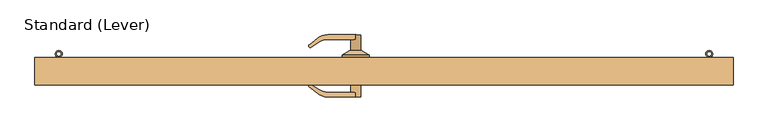
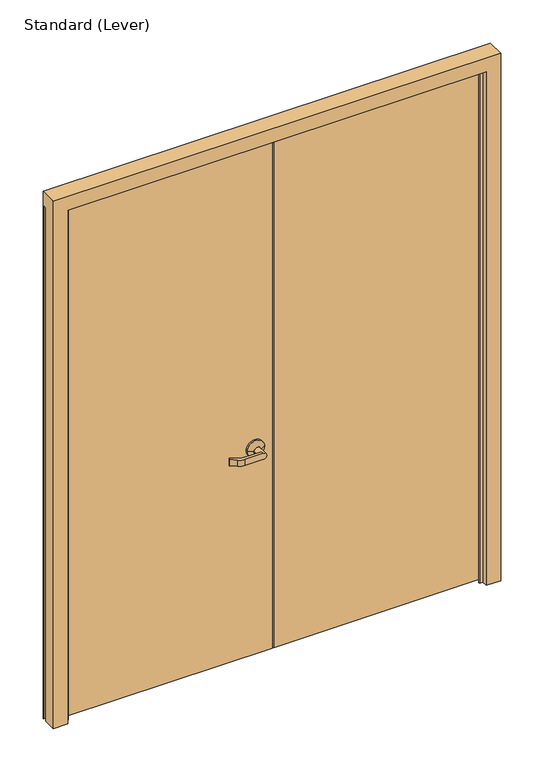
"""IFC4 building model written with IfcOpenShell, lengths in millimetres: door geometry, Standard (Lever)."""

from ifc_helpers import new_model, si_unit, point, frame, frame_2d, origin, place, context, project, spatial, polyline, circle_curve, trimmed, segment, composite_curve, outline, extrude, faceted_brep, source, transform, mapped, element, save
from ifc_brep_helpers import plane_surface, cylinder_surface, revolved_surface, advanced_brep


def standard_lever_2ee2547f(model_context):
    return source(origin(), model_context, "Body", "SolidModel", [
        extrude(outline(composite_curve([segment(polyline([(-909.6375, -7.14375), (-912.01875, -7.14375), (-912.01875, 35.1565274)]), True, "CONTINUOUS"), segment(trimmed(circle_curve(frame_2d((-904.2351957, 35.1565274)), 7.7835543), [point((-912.01875, 35.1565274))], [point((-907.6729512, 42.1397612))], False, "CARTESIAN"), True, "CONTINUOUS"), segment(trimmed(circle_curve(frame_2d((-910.828125, 48.5489767)), 7.14375), [point((-907.6729512, 42.1397612))], [point((-911.2096421, 41.4154215))], True, "CARTESIAN"), True, "CONTINUOUS"), segment(trimmed(circle_curve(frame_2d((-904.2351957, 35.1565274)), 9.3710543), [point((-911.2096421, 41.4154215))], [point((-912.6857214, 39.2068698))], True, "CARTESIAN"), True, "CONTINUOUS"), segment(trimmed(circle_curve(frame_2d((-910.828125, 48.5489767)), 9.525), [point((-912.6857214, 39.2068698))], [point((-906.6212267, 40.0033561))], False, "CARTESIAN"), True, "CONTINUOUS"), segment(trimmed(circle_curve(frame_2d((-904.2351957, 35.1565274)), 5.4023043), [point((-906.6212267, 40.0033561))], [point((-909.6375, 35.1565274))], True, "CARTESIAN"), True, "CONTINUOUS"), segment(polyline([(-909.6375, 35.1565274), (-909.6375, -7.14375)]), True, "CONTINUOUS")], self_intersect=False)), frame((0.0, 0.0, 1402.2916667), z_axis=(0.0, 0.0, 1.0), x_axis=(1.0, 0.0, 0.0)), (0.0, 0.0, 1.0), 139.7),
        extrude(outline(composite_curve([segment(polyline([(-909.6375, -7.14375), (-912.01875, -7.14375), (-912.01875, 35.1565274)]), True, "CONTINUOUS"), segment(trimmed(circle_curve(frame_2d((-904.2351957, 35.1565274)), 7.7835543), [point((-912.01875, 35.1565274))], [point((-907.6729512, 42.1397612))], False, "CARTESIAN"), True, "CONTINUOUS"), segment(trimmed(circle_curve(frame_2d((-910.828125, 48.5489767)), 7.14375), [point((-907.6729512, 42.1397612))], [point((-911.2096421, 41.4154215))], True, "CARTESIAN"), True, "CONTINUOUS"), segment(trimmed(circle_curve(frame_2d((-904.2351957, 35.1565274)), 9.3710543), [point((-911.2096421, 41.4154215))], [point((-912.6857214, 39.2068698))], True, "CARTESIAN"), True, "CONTINUOUS"), segment(trimmed(circle_curve(frame_2d((-910.828125, 48.5489767)), 9.525), [point((-912.6857214, 39.2068698))], [point((-906.6212267, 40.0033561))], False, "CARTESIAN"), True, "CONTINUOUS"), segment(trimmed(circle_curve(frame_2d((-904.2351957, 35.1565274)), 5.4023043), [point((-906.6212267, 40.0033561))], [point((-909.6375, 35.1565274))], True, "CARTESIAN"), True, "CONTINUOUS"), segment(polyline([(-909.6375, 35.1565274), (-909.6375, -7.14375)]), True, "CONTINUOUS")], self_intersect=False)), frame((0.0, 0.0, 828.1458333), z_axis=(0.0, 0.0, 1.0), x_axis=(1.0, 0.0, 0.0)), (0.0, 0.0, 1.0), 139.7),
        extrude(outline(composite_curve([segment(polyline([(-909.6375, -7.14375), (-912.01875, -7.14375), (-912.01875, 35.1565274)]), True, "CONTINUOUS"), segment(trimmed(circle_curve(frame_2d((-904.2351957, 35.1565274)), 7.7835543), [point((-912.01875, 35.1565274))], [point((-907.6729512, 42.1397612))], False, "CARTESIAN"), True, "CONTINUOUS"), segment(trimmed(circle_curve(frame_2d((-910.828125, 48.5489767)), 7.14375), [point((-907.6729512, 42.1397612))], [point((-911.2096421, 41.4154215))], True, "CARTESIAN"), True, "CONTINUOUS"), segment(trimmed(circle_curve(frame_2d((-904.2351957, 35.1565274)), 9.3710543), [point((-911.2096421, 41.4154215))], [point((-912.6857214, 39.2068698))], True, "CARTESIAN"), True, "CONTINUOUS"), segment(trimmed(circle_curve(frame_2d((-910.828125, 48.5489767)), 9.525), [point((-912.6857214, 39.2068698))], [point((-906.6212267, 40.0033561))], False, "CARTESIAN"), True, "CONTINUOUS"), segment(trimmed(circle_curve(frame_2d((-904.2351957, 35.1565274)), 5.4023043), [point((-906.6212267, 40.0033561))], [point((-909.6375, 35.1565274))], True, "CARTESIAN"), True, "CONTINUOUS"), segment(polyline([(-909.6375, 35.1565274), (-909.6375, -7.14375)]), True, "CONTINUOUS")], self_intersect=False)), frame((0.0, 0.0, 1976.4375), z_axis=(0.0, 0.0, 1.0), x_axis=(1.0, 0.0, 0.0)), (0.0, 0.0, 1.0), 139.7),
        extrude(outline(composite_curve([segment(polyline([(909.6375, -7.14375), (909.6375, 35.1565274)]), True, "CONTINUOUS"), segment(trimmed(circle_curve(frame_2d((904.2351957, 35.1565274)), 5.4023043), [point((909.6375, 35.1565274))], [point((906.6212267, 40.0033561))], True, "CARTESIAN"), True, "CONTINUOUS"), segment(trimmed(circle_curve(frame_2d((910.828125, 48.5489767)), 9.525), [point((906.6212267, 40.0033561))], [point((912.6857214, 39.2068698))], False, "CARTESIAN"), True, "CONTINUOUS"), segment(trimmed(circle_curve(frame_2d((904.2351957, 35.1565274)), 9.3710543), [point((912.6857214, 39.2068698))], [point((911.2096421, 41.4154215))], True, "CARTESIAN"), True, "CONTINUOUS"), segment(trimmed(circle_curve(frame_2d((910.828125, 48.5489767)), 7.14375), [point((911.2096421, 41.4154215))], [point((907.6729512, 42.1397612))], True, "CARTESIAN"), True, "CONTINUOUS"), segment(trimmed(circle_curve(frame_2d((904.2351957, 35.1565274)), 7.7835543), [point((907.6729512, 42.1397612))], [point((912.01875, 35.1565274))], False, "CARTESIAN"), True, "CONTINUOUS"), segment(polyline([(912.01875, 35.1565274), (912.01875, -7.14375), (909.6375, -7.14375)]), True, "CONTINUOUS")], self_intersect=False)), frame((0.0, 0.0, 1402.2916667), z_axis=(0.0, 0.0, 1.0), x_axis=(1.0, 0.0, 0.0)), (0.0, 0.0, 1.0), 139.7),
        extrude(outline(composite_curve([segment(polyline([(909.6375, -7.14375), (909.6375, 35.1565274)]), True, "CONTINUOUS"), segment(trimmed(circle_curve(frame_2d((904.2351957, 35.1565274)), 5.4023043), [point((909.6375, 35.1565274))], [point((906.6212267, 40.0033561))], True, "CARTESIAN"), True, "CONTINUOUS"), segment(trimmed(circle_curve(frame_2d((910.828125, 48.5489767)), 9.525), [point((906.6212267, 40.0033561))], [point((912.6857214, 39.2068698))], False, "CARTESIAN"), True, "CONTINUOUS"), segment(trimmed(circle_curve(frame_2d((904.2351957, 35.1565274)), 9.3710543), [point((912.6857214, 39.2068698))], [point((911.2096421, 41.4154215))], True, "CARTESIAN"), True, "CONTINUOUS"), segment(trimmed(circle_curve(frame_2d((910.828125, 48.5489767)), 7.14375), [point((911.2096421, 41.4154215))], [point((907.6729512, 42.1397612))], True, "CARTESIAN"), True, "CONTINUOUS"), segment(trimmed(circle_curve(frame_2d((904.2351957, 35.1565274)), 7.7835543), [point((907.6729512, 42.1397612))], [point((912.01875, 35.1565274))], False, "CARTESIAN"), True, "CONTINUOUS"), segment(polyline([(912.01875, 35.1565274), (912.01875, -7.14375), (909.6375, -7.14375)]), True, "CONTINUOUS")], self_intersect=False)), frame((0.0, 0.0, 828.1458333), z_axis=(0.0, 0.0, 1.0), x_axis=(1.0, 0.0, 0.0)), (0.0, 0.0, 1.0), 139.7),
        extrude(outline(composite_curve([segment(polyline([(909.6375, -7.14375), (909.6375, 35.1565274)]), True, "CONTINUOUS"), segment(trimmed(circle_curve(frame_2d((904.2351957, 35.1565274)), 5.4023043), [point((909.6375, 35.1565274))], [point((906.6212267, 40.0033561))], True, "CARTESIAN"), True, "CONTINUOUS"), segment(trimmed(circle_curve(frame_2d((910.828125, 48.5489767)), 9.525), [point((906.6212267, 40.0033561))], [point((912.6857214, 39.2068698))], False, "CARTESIAN"), True, "CONTINUOUS"), segment(trimmed(circle_curve(frame_2d((904.2351957, 35.1565274)), 9.3710543), [point((912.6857214, 39.2068698))], [point((911.2096421, 41.4154215))], True, "CARTESIAN"), True, "CONTINUOUS"), segment(trimmed(circle_curve(frame_2d((910.828125, 48.5489767)), 7.14375), [point((911.2096421, 41.4154215))], [point((907.6729512, 42.1397612))], True, "CARTESIAN"), True, "CONTINUOUS"), segment(trimmed(circle_curve(frame_2d((904.2351957, 35.1565274)), 7.7835543), [point((907.6729512, 42.1397612))], [point((912.01875, 35.1565274))], False, "CARTESIAN"), True, "CONTINUOUS"), segment(polyline([(912.01875, 35.1565274), (912.01875, -7.14375), (909.6375, -7.14375)]), True, "CONTINUOUS")], self_intersect=False)), frame((0.0, 0.0, 1976.4375), z_axis=(0.0, 0.0, 1.0), x_axis=(1.0, 0.0, 0.0)), (0.0, 0.0, 1.0), 139.7),
        extrude(outline(composite_curve([segment(polyline([(909.6375, -7.14375), (909.6375, 35.1565274)]), True, "CONTINUOUS"), segment(trimmed(circle_curve(frame_2d((904.2351957, 35.1565274)), 5.4023043), [point((909.6375, 35.1565274))], [point((906.6212267, 40.0033561))], True, "CARTESIAN"), True, "CONTINUOUS"), segment(trimmed(circle_curve(frame_2d((910.828125, 48.5489767)), 9.525), [point((906.6212267, 40.0033561))], [point((912.6857214, 39.2068698))], False, "CARTESIAN"), True, "CONTINUOUS"), segment(trimmed(circle_curve(frame_2d((904.2351957, 35.1565274)), 9.3710543), [point((912.6857214, 39.2068698))], [point((911.2096421, 41.4154215))], True, "CARTESIAN"), True, "CONTINUOUS"), segment(trimmed(circle_curve(frame_2d((910.828125, 48.5489767)), 7.14375), [point((911.2096421, 41.4154215))], [point((907.6729512, 42.1397612))], True, "CARTESIAN"), True, "CONTINUOUS"), segment(trimmed(circle_curve(frame_2d((904.2351957, 35.1565274)), 7.7835543), [point((907.6729512, 42.1397612))], [point((912.01875, 35.1565274))], False, "CARTESIAN"), True, "CONTINUOUS"), segment(polyline([(912.01875, 35.1565274), (912.01875, -7.14375), (909.6375, -7.14375)]), True, "CONTINUOUS")], self_intersect=False)), frame((0.0, 0.0, 254.0), z_axis=(0.0, 0.0, 1.0), x_axis=(1.0, 0.0, 0.0)), (0.0, 0.0, 1.0), 139.7),
        extrude(outline(composite_curve([segment(polyline([(-909.6375, -7.14375), (-912.01875, -7.14375), (-912.01875, 35.1565274)]), True, "CONTINUOUS"), segment(trimmed(circle_curve(frame_2d((-904.2351957, 35.1565274)), 7.7835543), [point((-912.01875, 35.1565274))], [point((-907.6729512, 42.1397612))], False, "CARTESIAN"), True, "CONTINUOUS"), segment(trimmed(circle_curve(frame_2d((-910.828125, 48.5489767)), 7.14375), [point((-907.6729512, 42.1397612))], [point((-911.2096421, 41.4154215))], True, "CARTESIAN"), True, "CONTINUOUS"), segment(trimmed(circle_curve(frame_2d((-904.2351957, 35.1565274)), 9.3710543), [point((-911.2096421, 41.4154215))], [point((-912.6857214, 39.2068698))], True, "CARTESIAN"), True, "CONTINUOUS"), segment(trimmed(circle_curve(frame_2d((-910.828125, 48.5489767)), 9.525), [point((-912.6857214, 39.2068698))], [point((-906.6212267, 40.0033561))], False, "CARTESIAN"), True, "CONTINUOUS"), segment(trimmed(circle_curve(frame_2d((-904.2351957, 35.1565274)), 5.4023043), [point((-906.6212267, 40.0033561))], [point((-909.6375, 35.1565274))], True, "CARTESIAN"), True, "CONTINUOUS"), segment(polyline([(-909.6375, 35.1565274), (-909.6375, -7.14375)]), True, "CONTINUOUS")], self_intersect=False)), frame((0.0, 0.0, 254.0), z_axis=(0.0, 0.0, 1.0), x_axis=(1.0, 0.0, 0.0)), (0.0, 0.0, 1.0), 139.7),
        advanced_brep(
        [(-41.275, 37.30625, 965.2), (-117.475, 37.30625, 965.2), (-117.475, 45.24375, 965.2), (-41.275, 45.24375, 965.2), (-65.0875, 102.39375, 965.2), (-79.375, 102.39375, 950.9125), (-158.1249604, 102.39375, 950.9125), (-158.1249604, 102.39375, 979.4875), (-79.375, 102.39375, 979.4875), (-65.0875, 57.94375, 965.2), (-93.6625, 57.94375, 965.2), (-93.6625, 89.69375, 965.2), (-79.375, 89.69375, 950.9125), (-79.375, 89.69375, 979.4875), (-63.5, 57.94375, 965.2), (-95.25, 57.94375, 965.2), (-154.782228, 89.69375, 979.4875), (-185.7177761, 92.7925523, 979.4875), (-210.0371866, 73.5367682, 979.4875), (-210.2832882, 69.2868463, 979.4875), (-208.2664383, 67.2699964, 979.4875), (-204.9036767, 66.9165559, 979.4875), (-182.449891, 81.4982149, 979.4875), (-154.782228, 89.69375, 950.9125), (-182.449891, 81.4982149, 950.9125), (-204.9036767, 66.9165559, 950.9125), (-208.2664383, 67.2699964, 950.9125), (-210.2832882, 69.2868463, 950.9125), (-210.0371866, 73.5367682, 950.9125), (-185.7177761, 92.7925523, 950.9125)],
        [
            (0, 1, circle_curve(frame((-79.375, 37.30625, 965.2), z_axis=(0.0, -1.0, 0.0), x_axis=(-1.0, 0.0, 0.0)), 38.1)),
            (1, 0, circle_curve(frame((-79.375, 37.30625, 965.2), z_axis=(0.0, -1.0, 0.0), x_axis=(-1.0, 0.0, 0.0)), 38.1)),
            (1, 2),
            (2, 3, circle_curve(frame((-79.375, 45.24375, 965.2), z_axis=(0.0, -1.0, 0.0), x_axis=(-1.0, 0.0, 0.0)), 38.1)),
            (3, 0),
            (3, 2, circle_curve(frame((-79.375, 45.24375, 965.2), z_axis=(0.0, -1.0, 0.0), x_axis=(-1.0, 0.0, 0.0)), 38.1)),
            (4, 5, circle_curve(frame((-79.375, 102.39375, 965.2), z_axis=(0.0, 1.0, 0.0), x_axis=(-1.0, 0.0, 0.0)), 14.2875)),
            (5, 6),
            (6, 7),
            (7, 8),
            (8, 4, circle_curve(frame((-79.375, 102.39375, 965.2), z_axis=(0.0, 1.0, 0.0), x_axis=(-1.0, 0.0, 0.0)), 14.2875)),
            (4, 9),
            (9, 10, circle_curve(frame((-79.375, 57.94375, 965.2), z_axis=(0.0, 1.0, 0.0), x_axis=(-1.0, 0.0, 0.0)), 14.2875)),
            (10, 11),
            (11, 12, circle_curve(frame((-79.375, 89.69375, 965.2), z_axis=(0.0, -1.0, 0.0), x_axis=(-1.0, 0.0, 0.0)), 14.2875)),
            (12, 5),
            (8, 13),
            (13, 11, circle_curve(frame((-79.375, 89.69375, 965.2), z_axis=(0.0, -1.0, 0.0), x_axis=(-1.0, 0.0, 0.0)), 14.2875)),
            (10, 9, circle_curve(frame((-79.375, 57.94375, 965.2), z_axis=(0.0, 1.0, 0.0), x_axis=(-1.0, 0.0, 0.0)), 14.2875)),
            (14, 15, circle_curve(frame((-79.375, 57.94375, 965.2), z_axis=(0.0, 1.0, 0.0), x_axis=(1.0, 0.0, 0.0)), 15.875)),
            (15, 14, circle_curve(frame((-79.375, 57.94375, 965.2), z_axis=(0.0, 1.0, 0.0), x_axis=(-1.0, 0.0, 0.0)), 15.875)),
            (14, 3),
            (2, 15),
            (16, 13),
            (7, 17, circle_curve(frame((-158.1249604, 57.94375, 979.4875), z_axis=(0.0, 0.0, 1.0), x_axis=(-1.0, 0.0, 0.0)), 44.45)),
            (17, 18),
            (18, 19, circle_curve(frame((-208.2679071, 71.3022275, 979.4875), z_axis=(0.0, 0.0, 1.0), x_axis=(-1.0, 0.0, 0.0)), 2.8501794)),
            (19, 20),
            (20, 21, circle_curve(frame((-206.3668262, 69.1696085, 979.4875), z_axis=(0.0, 0.0, 1.0), x_axis=(-1.0, 0.0, 0.0)), 2.6864572)),
            (21, 22),
            (22, 16, circle_curve(frame((-154.782228, 38.89375, 979.4875), z_axis=(0.0, 0.0, -1.0), x_axis=(-1.0, 0.0, 0.0)), 50.8)),
            (23, 24, circle_curve(frame((-154.782228, 38.89375, 950.9125), z_axis=(0.0, 0.0, 1.0), x_axis=(-1.0, 0.0, 0.0)), 50.8)),
            (24, 25),
            (25, 26, circle_curve(frame((-206.3668262, 69.1696085, 950.9125), z_axis=(0.0, 0.0, -1.0), x_axis=(-1.0, 0.0, 0.0)), 2.6864572)),
            (26, 27),
            (27, 28, circle_curve(frame((-208.2679071, 71.3022275, 950.9125), z_axis=(0.0, 0.0, -1.0), x_axis=(-1.0, 0.0, 0.0)), 2.8501794)),
            (28, 29),
            (29, 6, circle_curve(frame((-158.1249604, 57.94375, 950.9125), z_axis=(0.0, 0.0, -1.0), x_axis=(-1.0, 0.0, 0.0)), 44.45)),
            (12, 23),
            (16, 23),
            (29, 17),
            (28, 18),
            (27, 19),
            (26, 20),
            (25, 21),
            (24, 22),
        ],
        [
            plane_surface(frame((-117.475, 37.30625, 965.2), z_axis=(0.0, -1.0, 0.0), x_axis=(0.0, 0.0, -1.0))),
            cylinder_surface(frame((-79.375, 37.30625, 965.2), z_axis=(0.0, 1.0, 0.0), x_axis=(-1.0, 0.0, 0.0)), 38.1),
            plane_surface(frame((-93.6625, 102.39375, 965.2), z_axis=(0.0, 1.0, 0.0), x_axis=(0.0, 0.0, 1.0))),
            cylinder_surface(frame((-79.375, 45.24375, 965.2), z_axis=(0.0, 1.0, 0.0), x_axis=(-1.0, 0.0, 0.0)), 14.2875),
            plane_surface(frame((-79.375, 57.94375, 965.2), z_axis=(0.0, 1.0, 0.0), x_axis=(0.0, 0.0, -1.0))),
            revolved_surface(polyline([(-63.499999970833336, 57.94375, 965.2), (-41.275, 45.24375, 965.2)]), (-79.375, 67.0151786, 965.2), (0.0, -1.0, 0.0)),
            revolved_surface(polyline([(-95.25000002916666, 57.94375, 965.2), (-117.475, 45.24375, 965.2)]), (-79.375, 67.0151786, 965.2), (0.0, -1.0, 0.0)),
            plane_surface(frame((-79.375, 89.69375, 979.4875), z_axis=(0.0, 0.0, 1.0), x_axis=(1.0, 0.0, 0.0))),
            plane_surface(frame((-79.375, 89.69375, 950.9125), z_axis=(0.0, 0.0, -1.0), x_axis=(-1.0, 0.0, 0.0))),
            plane_surface(frame((-154.782228, 89.69375, 979.4875), z_axis=(0.0, -1.0, 0.0), x_axis=(0.0, 0.0, -1.0))),
            cylinder_surface(frame((-158.1249604, 57.94375, 950.9125), z_axis=(0.0, 0.0, 1.0), x_axis=(-1.0, 0.0, 0.0)), 44.45),
            plane_surface(frame((-185.7177761, 92.7925523, 979.4875), z_axis=(-0.6207607591148713, 0.7840000509841367, 0.0), x_axis=(0.0, 0.0, -1.0))),
            cylinder_surface(frame((-208.2679071, 71.3022275, 950.9125), z_axis=(0.0, 0.0, 1.0), x_axis=(-1.0, 0.0, 0.0)), 2.8501794),
            plane_surface(frame((-210.2832882, 69.2868463, 979.4875), z_axis=(-0.7071067811865505, -0.7071067811865446, 0.0), x_axis=(0.0, 0.0, -1.0))),
            cylinder_surface(frame((-206.3668262, 69.1696085, 950.9125), z_axis=(0.0, 0.0, 1.0), x_axis=(-1.0, 0.0, 0.0)), 2.6864572),
            plane_surface(frame((-204.9036767, 66.9165559, 979.4875), z_axis=(0.544639035015027, -0.838670567945424, 0.0), x_axis=(0.0, 0.0, -1.0))),
            revolved_surface(polyline([(-205.582228, 38.89375, 950.9125), (-205.582228, 38.89375, 979.4875)]), (-154.782228, 38.89375, 950.9125), (0.0, 0.0, -1.0)),
        ],
        [
            (0, [[1, 2]]),
            (1, [[-2, 3, 4, 5]]),
            (1, [[-1, -5, 6, -3]]),
            (2, [[7, 8, 9, 10, 11]]),
            (3, [[12, 13, 14, 15, 16, -7]]),
            (3, [[-12, -11, 17, 18, -14, 19]]),
            (4, [[20, 21], [-13, -19]]),
            (5, [[-20, 22, -4, 23]]),
            (6, [[-21, -23, -6, -22]]),
            (7, [[24, -17, -10, 25, 26, 27, 28, 29, 30, 31]]),
            (8, [[32, 33, 34, 35, 36, 37, 38, -8, -16, 39]]),
            (9, [[-24, 40, -39, -15, -18]]),
            (10, [[-25, -9, -38, 41]]),
            (11, [[-26, -41, -37, 42]]),
            (12, [[-27, -42, -36, 43]]),
            (13, [[-28, -43, -35, 44]]),
            (14, [[-29, -44, -34, 45]]),
            (15, [[-30, -45, -33, 46]]),
            (16, [[-31, -46, -32, -40]]),
        ],
    ),
        advanced_brep(
        [(-41.275, -7.14375, 965.2), (-117.475, -7.14375, 965.2), (-41.275, -15.08125, 965.2), (-117.475, -15.08125, 965.2), (-65.0875, -72.23125, 965.2), (-79.375, -72.23125, 979.4875), (-158.1249604, -72.23125, 979.4875), (-158.1249604, -72.23125, 950.9125), (-79.375, -72.23125, 950.9125), (-79.375, -59.53125, 950.9125), (-93.6625, -59.53125, 965.2), (-93.6625, -27.78125, 965.2), (-65.0875, -27.78125, 965.2), (-79.375, -59.53125, 979.4875), (-63.5, -27.78125, 965.2), (-95.25, -27.78125, 965.2), (-154.782228, -59.53125, 979.4875), (-182.449891, -51.3357149, 979.4875), (-204.9036767, -36.7540559, 979.4875), (-208.2664383, -37.1074964, 979.4875), (-210.2832882, -39.1243463, 979.4875), (-210.0371866, -43.3742682, 979.4875), (-185.7177761, -62.6300523, 979.4875), (-154.782228, -59.53125, 950.9125), (-185.7177761, -62.6300523, 950.9125), (-210.0371866, -43.3742682, 950.9125), (-210.2832882, -39.1243463, 950.9125), (-208.2664383, -37.1074964, 950.9125), (-204.9036767, -36.7540559, 950.9125), (-182.449891, -51.3357149, 950.9125)],
        [
            (0, 1, circle_curve(frame((-79.375, -7.14375, 965.2), z_axis=(0.0, 1.0, 0.0), x_axis=(-1.0, 0.0, 0.0)), 38.1)),
            (1, 0, circle_curve(frame((-79.375, -7.14375, 965.2), z_axis=(0.0, 1.0, 0.0), x_axis=(-1.0, 0.0, 0.0)), 38.1)),
            (0, 2),
            (2, 3, circle_curve(frame((-79.375, -15.08125, 965.2), z_axis=(0.0, 1.0, 0.0), x_axis=(-1.0, 0.0, 0.0)), 38.1)),
            (3, 1),
            (3, 2, circle_curve(frame((-79.375, -15.08125, 965.2), z_axis=(0.0, 1.0, 0.0), x_axis=(-1.0, 0.0, 0.0)), 38.1)),
            (4, 5, circle_curve(frame((-79.375, -72.23125, 965.2), z_axis=(0.0, -1.0, 0.0), x_axis=(-1.0, 0.0, 0.0)), 14.2875)),
            (5, 6),
            (6, 7),
            (7, 8),
            (8, 4, circle_curve(frame((-79.375, -72.23125, 965.2), z_axis=(0.0, -1.0, 0.0), x_axis=(-1.0, 0.0, 0.0)), 14.2875)),
            (8, 9),
            (9, 10, circle_curve(frame((-79.375, -59.53125, 965.2), z_axis=(0.0, 1.0, 0.0), x_axis=(-1.0, 0.0, 0.0)), 14.2875)),
            (10, 11),
            (11, 12, circle_curve(frame((-79.375, -27.78125, 965.2), z_axis=(0.0, -1.0, 0.0), x_axis=(-1.0, 0.0, 0.0)), 14.2875)),
            (12, 4),
            (12, 11, circle_curve(frame((-79.375, -27.78125, 965.2), z_axis=(0.0, -1.0, 0.0), x_axis=(-1.0, 0.0, 0.0)), 14.2875)),
            (10, 13, circle_curve(frame((-79.375, -59.53125, 965.2), z_axis=(0.0, 1.0, 0.0), x_axis=(-1.0, 0.0, 0.0)), 14.2875)),
            (13, 5),
            (14, 15, circle_curve(frame((-79.375, -27.78125, 965.2), z_axis=(0.0, -1.0, 0.0), x_axis=(-1.0, 0.0, 0.0)), 15.875)),
            (15, 14, circle_curve(frame((-79.375, -27.78125, 965.2), z_axis=(0.0, -1.0, 0.0), x_axis=(1.0, 0.0, 0.0)), 15.875)),
            (15, 3),
            (2, 14),
            (16, 17, circle_curve(frame((-154.782228, -8.73125, 979.4875), z_axis=(0.0, 0.0, -1.0), x_axis=(-1.0, 0.0, 0.0)), 50.8)),
            (17, 18),
            (18, 19, circle_curve(frame((-206.3668262, -39.0071085, 979.4875), z_axis=(0.0, 0.0, 1.0), x_axis=(-1.0, 0.0, 0.0)), 2.6864572)),
            (19, 20),
            (20, 21, circle_curve(frame((-208.2679071, -41.1397275, 979.4875), z_axis=(0.0, 0.0, 1.0), x_axis=(-1.0, 0.0, 0.0)), 2.8501794)),
            (21, 22),
            (22, 6, circle_curve(frame((-158.1249604, -27.78125, 979.4875), z_axis=(0.0, 0.0, 1.0), x_axis=(-1.0, 0.0, 0.0)), 44.45)),
            (13, 16),
            (23, 9),
            (7, 24, circle_curve(frame((-158.1249604, -27.78125, 950.9125), z_axis=(0.0, 0.0, -1.0), x_axis=(-1.0, 0.0, 0.0)), 44.45)),
            (24, 25),
            (25, 26, circle_curve(frame((-208.2679071, -41.1397275, 950.9125), z_axis=(0.0, 0.0, -1.0), x_axis=(-1.0, 0.0, 0.0)), 2.8501794)),
            (26, 27),
            (27, 28, circle_curve(frame((-206.3668262, -39.0071085, 950.9125), z_axis=(0.0, 0.0, -1.0), x_axis=(-1.0, 0.0, 0.0)), 2.6864572)),
            (28, 29),
            (29, 23, circle_curve(frame((-154.782228, -8.73125, 950.9125), z_axis=(0.0, 0.0, 1.0), x_axis=(-1.0, 0.0, 0.0)), 50.8)),
            (23, 16),
            (22, 24),
            (21, 25),
            (20, 26),
            (19, 27),
            (18, 28),
            (17, 29),
        ],
        [
            plane_surface(frame((-117.475, -7.14375, 965.2), z_axis=(0.0, 1.0, 0.0), x_axis=(0.0, 0.0, -1.0))),
            cylinder_surface(frame((-79.375, -7.14375, 965.2), z_axis=(0.0, -1.0, 0.0), x_axis=(-1.0, 0.0, 0.0)), 38.1),
            plane_surface(frame((-93.6625, -72.23125, 965.2), z_axis=(0.0, -1.0, 0.0), x_axis=(0.0, 0.0, 1.0))),
            cylinder_surface(frame((-79.375, -15.08125, 965.2), z_axis=(0.0, -1.0, 0.0), x_axis=(-1.0, 0.0, 0.0)), 14.2875),
            plane_surface(frame((-79.375, -27.78125, 965.2), z_axis=(0.0, -1.0, 0.0), x_axis=(0.0, 0.0, -1.0))),
            revolved_surface(polyline([(-95.25000002916666, -27.78125, 965.2), (-117.475, -15.08125, 965.2)]), (-79.375, -36.8526786, 965.2), (0.0, 1.0, 0.0)),
            revolved_surface(polyline([(-63.499999970833336, -27.78125, 965.2), (-41.275, -15.08125, 965.2)]), (-79.375, -36.8526786, 965.2), (0.0, 1.0, 0.0)),
            plane_surface(frame((-79.375, -59.53125, 979.4875), z_axis=(0.0, 0.0, 1.0), x_axis=(1.0, 0.0, 0.0))),
            plane_surface(frame((-79.375, -59.53125, 950.9125), z_axis=(0.0, 0.0, -1.0), x_axis=(-1.0, 0.0, 0.0))),
            plane_surface(frame((-154.782228, -59.53125, 979.4875), z_axis=(0.0, 1.0, 0.0), x_axis=(0.0, 0.0, -1.0))),
            cylinder_surface(frame((-158.1249604, -27.78125, 950.9125), z_axis=(0.0, 0.0, 1.0), x_axis=(-1.0, 0.0, 0.0)), 44.45),
            plane_surface(frame((-185.7177761, -62.6300523, 979.4875), z_axis=(-0.6207607591148713, -0.7840000509841367, 0.0), x_axis=(0.0, 0.0, -1.0))),
            cylinder_surface(frame((-208.2679071, -41.1397275, 950.9125), z_axis=(0.0, 0.0, 1.0), x_axis=(-1.0, 0.0, 0.0)), 2.8501794),
            plane_surface(frame((-210.2832882, -39.1243463, 979.4875), z_axis=(-0.7071067811865505, 0.7071067811865446, 0.0), x_axis=(0.0, 0.0, -1.0))),
            cylinder_surface(frame((-206.3668262, -39.0071085, 950.9125), z_axis=(0.0, 0.0, 1.0), x_axis=(-1.0, 0.0, 0.0)), 2.6864572),
            plane_surface(frame((-204.9036767, -36.7540559, 979.4875), z_axis=(0.544639035015027, 0.838670567945424, 0.0), x_axis=(0.0, 0.0, -1.0))),
            revolved_surface(polyline([(-205.582228, -8.73125, 950.9125), (-205.582228, -8.73125, 979.4875)]), (-154.782228, -8.73125, 950.9125), (0.0, 0.0, -1.0)),
        ],
        [
            (0, [[1, 2]]),
            (1, [[3, 4, 5, -1]]),
            (1, [[-5, 6, -3, -2]]),
            (2, [[7, 8, 9, 10, 11]]),
            (3, [[-11, 12, 13, 14, 15, 16]]),
            (3, [[17, -14, 18, 19, -7, -16]]),
            (4, [[20, 21], [-17, -15]]),
            (5, [[22, -4, 23, -21]]),
            (6, [[-23, -6, -22, -20]]),
            (7, [[24, 25, 26, 27, 28, 29, 30, -8, -19, 31]]),
            (8, [[32, -12, -10, 33, 34, 35, 36, 37, 38, 39]]),
            (9, [[-18, -13, -32, 40, -31]]),
            (10, [[41, -33, -9, -30]]),
            (11, [[42, -34, -41, -29]]),
            (12, [[43, -35, -42, -28]]),
            (13, [[44, -36, -43, -27]]),
            (14, [[45, -37, -44, -26]]),
            (15, [[46, -38, -45, -25]]),
            (16, [[-40, -39, -46, -24]]),
        ],
    ),
        extrude(outline(polyline([(909.6375, 37.30625), (909.6375, -7.14375), (3.175, -7.14375), (3.175, 37.30625), (909.6375, 37.30625)])), frame((0.0, 0.0, 12.7), z_axis=(0.0, 0.0, 1.0), x_axis=(1.0, 0.0, 0.0)), (0.0, 0.0, 1.0), 2357.4375),
        extrude(outline(polyline([(-3.175, 37.30625), (-3.175, -7.14375), (-909.6375, -7.14375), (-909.6375, 37.30625), (-3.175, 37.30625)])), frame((0.0, 0.0, 12.7), z_axis=(0.0, 0.0, 1.0), x_axis=(1.0, 0.0, 0.0)), (0.0, 0.0, 1.0), 2357.4375),
        faceted_brep([(914.4, 38.1, 0.0), (977.8999977, 38.1, 0.0), (977.8999977, 36.5125, 0.0), (976.3124977, 36.5125, 0.0), (976.3124977, 37.30625, 0.0), (946.15, 37.30625, 0.0), (946.15, 19.05, 0.0), (967.5742434, 19.05, 0.0), (968.574256, 18.0499874, 0.0), (967.0000186, 18.0499874, 0.0), (967.0000186, 16.24994, 0.0), (972.0000134, 16.24994, 0.0), (972.0000134, 18.0499874, 0.0), (970.4257405, 18.0499874, 0.0), (971.4257562, 19.0500031, 0.0), (977.9, 19.0500031, 0.0), (977.9, -38.1, 0.0), (914.4, -38.1, 0.0), (914.4, -14.2875, 0.0), (900.1125, -14.2875, 0.0), (900.1125, -9.525, 0.0), (902.49375, -9.525, 0.0), (902.49375, -10.31875, 0.0), (901.7, -10.31875, 0.0), (901.7, -12.7, 0.0), (908.05, -12.7, 0.0), (908.05, -10.31875, 0.0), (907.25625, -10.31875, 0.0), (907.25625, -9.525, 0.0), (909.6375, -9.525, 0.0), (909.6375, -12.7, 0.0), (914.4, -12.7, 0.0), (977.9, 38.1, 2438.4), (977.9, -38.1, 2438.4), (977.9, 19.0500031, 2374.9), (977.9, 36.5125, 2374.9), (-977.8999977, 38.1, 0.0), (-977.9, 38.1, 2438.4), (914.4, 38.1, 2374.9), (-914.4, 38.1, 2374.9), (-914.4, 38.1, 0.0), (-977.9, -38.1, 2438.4), (-977.9, -38.1, 0.0), (-914.4, -38.1, 0.0), (-914.4, -38.1, 2374.9), (914.4, -38.1, 2374.9), (971.4257562, 19.0500031, 2374.9), (976.3124977, 36.5125, 2374.9), (-914.4, -12.7, 0.0), (-909.6375, -12.7, 0.0), (-909.6375, -9.525, 0.0), (-907.25625, -9.525, 0.0), (-907.25625, -10.31875, 0.0), (-908.05, -10.31875, 0.0), (-908.05, -12.7, 0.0), (-901.7, -12.7, 0.0), (-901.7, -10.31875, 0.0), (-902.49375, -10.31875, 0.0), (-902.49375, -9.525, 0.0), (-900.1125, -9.525, 0.0), (-900.1125, -14.2875, 0.0), (-914.4, -14.2875, 0.0), (-977.9, 19.0500031, 0.0), (-971.4257562, 19.0500031, 0.0), (-970.4257405, 18.0499874, 0.0), (-972.0000134, 18.0499874, 0.0), (-972.0000134, 16.24994, 0.0), (-967.0000186, 16.24994, 0.0), (-967.0000186, 18.0499874, 0.0), (-968.574256, 18.0499874, 0.0), (-967.5742434, 19.05, 0.0), (-946.15, 19.05, 0.0), (-946.15, 37.30625, 0.0), (-976.3124977, 37.30625, 0.0), (-976.3124977, 36.5125, 0.0), (-977.8999977, 36.5125, 0.0), (-977.9, 36.5125, 2374.9), (-977.9, 19.0500031, 2374.9), (-976.3124977, 36.5125, 2374.9), (-971.4257562, 19.0500031, 2374.9), (914.4, -12.7, 2360.6125), (914.4, -9.525, 2360.6125), (914.4, -9.525, 2362.99375), (914.4, -10.31875, 2362.99375), (914.4, -10.31875, 2362.2), (914.4, -12.7, 2362.2), (914.4, -12.7, 2368.55), (914.4, -10.31875, 2368.55), (914.4, -10.31875, 2367.75625), (914.4, -9.525, 2367.75625), (914.4, -9.525, 2370.1375), (914.4, -12.7, 2370.1375), (914.4, -12.7, 2374.9), (-914.4, -12.7, 2374.9), (-914.4, -12.7, 2370.1375), (-914.4, -9.525, 2370.1375), (-914.4, -9.525, 2367.75625), (-914.4, -10.31875, 2367.75625), (-914.4, -10.31875, 2368.55), (-914.4, -12.7, 2368.55), (-914.4, -12.7, 2362.2), (-914.4, -10.31875, 2362.2), (-914.4, -10.31875, 2362.99375), (-914.4, -9.525, 2362.99375), (-914.4, -9.525, 2360.6125), (-914.4, -12.7, 2360.6125), (976.3124977, 37.30625, 2374.9), (946.15, 37.30625, 2374.9), (946.15, 19.05, 2374.9), (967.5742434, 19.05, 2374.9), (968.574256, 18.0499874, 2374.9), (967.0000186, 18.0499874, 2374.9), (967.0000186, 16.24994, 2374.9), (972.0000134, 16.24994, 2374.9), (972.0000134, 18.0499874, 2374.9), (970.4257405, 18.0499874, 2374.9), (914.4, -14.2875, 2374.9), (-914.4, -14.2875, 2374.9), (-900.1125, -14.2875, 2360.6125), (900.1125, -14.2875, 2360.6125), (900.1125, -9.525, 2360.6125), (900.1125, -9.525, 2374.9), (900.1125, -9.525, 2370.1375), (900.1125, -12.7, 2370.1375), (900.1125, -12.7, 2374.9), (900.1125, -9.525, 2367.75625), (900.1125, -9.525, 2362.99375), (900.1125, -10.31875, 2362.99375), (900.1125, -10.31875, 2362.2), (900.1125, -12.7, 2362.2), (900.1125, -12.7, 2368.55), (900.1125, -10.31875, 2368.55), (900.1125, -10.31875, 2367.75625), (-900.1125, -9.525, 2360.6125), (-902.49375, -9.525, 2360.6125), (-907.25625, -9.525, 2360.6125), (-909.6375, -9.525, 2360.6125), (-909.6375, -9.525, 2362.99375), (-909.6375, -9.525, 2367.75625), (-909.6375, -9.525, 2370.1375), (-909.6375, -9.525, 2374.9), (-907.25625, -9.525, 2374.9), (-907.25625, -9.525, 2370.1375), (-902.49375, -9.525, 2370.1375), (-902.49375, -9.525, 2374.9), (-900.1125, -9.525, 2374.9), (-900.1125, -9.525, 2370.1375), (902.49375, -9.525, 2374.9), (902.49375, -9.525, 2370.1375), (907.25625, -9.525, 2370.1375), (907.25625, -9.525, 2374.9), (909.6375, -9.525, 2374.9), (909.6375, -9.525, 2370.1375), (909.6375, -9.525, 2367.75625), (909.6375, -9.525, 2362.99375), (909.6375, -9.525, 2360.6125), (907.25625, -9.525, 2360.6125), (902.49375, -9.525, 2360.6125), (902.49375, -9.525, 2362.99375), (907.25625, -9.525, 2362.99375), (907.25625, -9.525, 2367.75625), (902.49375, -9.525, 2367.75625), (-902.49375, -9.525, 2367.75625), (-907.25625, -9.525, 2367.75625), (-907.25625, -9.525, 2362.99375), (-902.49375, -9.525, 2362.99375), (-900.1125, -9.525, 2367.75625), (-900.1125, -9.525, 2362.99375), (902.49375, -10.31875, 2360.6125), (902.49375, -10.31875, 2367.75625), (902.49375, -10.31875, 2362.99375), (902.49375, -10.31875, 2374.9), (902.49375, -10.31875, 2370.1375), (901.7, -10.31875, 2360.6125), (908.05, -10.31875, 2360.6125), (907.25625, -10.31875, 2360.6125), (-907.25625, -10.31875, 2360.6125), (-908.05, -10.31875, 2360.6125), (-901.7, -10.31875, 2360.6125), (-902.49375, -10.31875, 2360.6125), (909.6375, -10.31875, 2362.99375), (909.6375, -10.31875, 2362.2), (-909.6375, -10.31875, 2362.99375), (-909.6375, -10.31875, 2362.2), (909.6375, -10.31875, 2368.55), (909.6375, -10.31875, 2367.75625), (907.25625, -10.31875, 2374.9), (907.25625, -10.31875, 2370.1375), (908.05, -10.31875, 2370.1375), (908.05, -10.31875, 2374.9), (901.7, -10.31875, 2374.9), (901.7, -10.31875, 2370.1375), (-900.1125, -10.31875, 2362.99375), (-900.1125, -10.31875, 2362.2), (-900.1125, -10.31875, 2368.55), (-900.1125, -10.31875, 2367.75625), (908.05, -10.31875, 2362.2), (908.05, -10.31875, 2368.55), (901.7, -10.31875, 2368.55), (901.7, -10.31875, 2362.2), (907.25625, -10.31875, 2362.99375), (907.25625, -10.31875, 2367.75625), (-909.6375, -10.31875, 2368.55), (-909.6375, -10.31875, 2367.75625), (-907.25625, -10.31875, 2370.1375), (-907.25625, -10.31875, 2374.9), (-908.05, -10.31875, 2374.9), (-908.05, -10.31875, 2370.1375), (-901.7, -10.31875, 2370.1375), (-901.7, -10.31875, 2374.9), (-902.49375, -10.31875, 2374.9), (-902.49375, -10.31875, 2370.1375), (-901.7, -10.31875, 2368.55), (-908.05, -10.31875, 2368.55), (-908.05, -10.31875, 2362.2), (-901.7, -10.31875, 2362.2), (-907.25625, -10.31875, 2367.75625), (-902.49375, -10.31875, 2367.75625), (-902.49375, -10.31875, 2362.99375), (-907.25625, -10.31875, 2362.99375), (901.7, -12.7, 2360.6125), (901.7, -12.7, 2374.9), (901.7, -12.7, 2370.1375), (901.7, -12.7, 2362.2), (901.7, -12.7, 2368.55), (908.05, -12.7, 2360.6125), (908.05, -12.7, 2370.1375), (908.05, -12.7, 2374.9), (908.05, -12.7, 2362.2), (908.05, -12.7, 2368.55), (909.6375, -12.7, 2360.6125), (909.6375, -12.7, 2374.9), (909.6375, -12.7, 2370.1375), (909.6375, -12.7, 2368.55), (909.6375, -12.7, 2362.2), (-909.6375, -12.7, 2360.6125), (-909.6375, -12.7, 2362.2), (-909.6375, -12.7, 2368.55), (-909.6375, -12.7, 2370.1375), (-909.6375, -12.7, 2374.9), (-908.05, -12.7, 2360.6125), (-908.05, -12.7, 2374.9), (-908.05, -12.7, 2370.1375), (-908.05, -12.7, 2368.55), (-908.05, -12.7, 2362.2), (-901.7, -12.7, 2360.6125), (-901.7, -12.7, 2370.1375), (-901.7, -12.7, 2374.9), (-901.7, -12.7, 2362.2), (-901.7, -12.7, 2368.55), (-900.1125, -12.7, 2374.9), (-900.1125, -12.7, 2370.1375), (-900.1125, -12.7, 2368.55), (-900.1125, -12.7, 2362.2), (-970.4257405, 18.0499874, 2374.9), (-972.0000134, 18.0499874, 2374.9), (-972.0000134, 16.24994, 2374.9), (-967.0000186, 16.24994, 2374.9), (-967.0000186, 18.0499874, 2374.9), (-968.574256, 18.0499874, 2374.9), (-967.5742434, 19.05, 2374.9), (-946.15, 19.05, 2374.9), (-946.15, 37.30625, 2374.9), (-976.3124977, 37.30625, 2374.9)], [[[0, 1, 2, 3, 4, 5, 6, 7, 8, 9, 10, 11, 12, 13, 14, 15, 16, 17, 18, 19, 20, 21, 22, 23, 24, 25, 26, 27, 28, 29, 30, 31]], [[2, 1, 32, 33, 16, 15, 34, 35]], [[36, 37, 32, 1, 0, 38, 39, 40]], [[41, 42, 43, 44, 45, 17, 16, 33]], [[15, 14, 46, 34]], [[3, 2, 35, 47]], [[40, 48, 49, 50, 51, 52, 53, 54, 55, 56, 57, 58, 59, 60, 61, 43, 42, 62, 63, 64, 65, 66, 67, 68, 69, 70, 71, 72, 73, 74, 75, 36]], [[36, 75, 76, 77, 62, 42, 41, 37]], [[75, 74, 78, 76]], [[63, 62, 77, 79]], [[0, 31, 80, 81, 82, 83, 84, 85, 86, 87, 88, 89, 90, 91, 92, 38]], [[48, 40, 39, 93, 94, 95, 96, 97, 98, 99, 100, 101, 102, 103, 104, 105]], [[4, 3, 47, 106]], [[5, 4, 106, 107]], [[6, 5, 107, 108]], [[7, 6, 108, 109]], [[8, 7, 109, 110]], [[9, 8, 110, 111]], [[10, 9, 111, 112]], [[11, 10, 112, 113]], [[12, 11, 113, 114]], [[13, 12, 114, 115]], [[14, 13, 115, 46]], [[18, 17, 45, 116]], [[19, 18, 116, 117, 61, 60, 118, 119]], [[20, 19, 119, 120]], [[121, 122, 123, 124]], [[125, 126, 127, 128, 129, 130, 131, 132]], [[21, 20, 120, 133, 59, 58, 134, 135, 51, 50, 136, 104, 103, 137, 138, 96, 95, 139, 140, 141, 142, 143, 144, 145, 146, 122, 121, 147, 148, 149, 150, 151, 152, 90, 89, 153, 154, 82, 81, 155, 29, 28, 156, 157], [158, 159, 160, 161], [162, 163, 164, 165], [125, 166, 167, 126]], [[22, 21, 157, 168]], [[169, 170, 158, 161]], [[171, 172, 148, 147]], [[23, 22, 168, 173]], [[27, 26, 174, 175]], [[53, 52, 176, 177]], [[57, 56, 178, 179]], [[83, 180, 181, 84]], [[182, 102, 101, 183]], [[87, 184, 185, 88]], [[186, 187, 188, 189]], [[190, 191, 172, 171]], [[128, 127, 192, 193]], [[132, 131, 194, 195]], [[196, 197, 198, 199], [200, 170, 169, 201]], [[202, 98, 97, 203]], [[204, 205, 206, 207]], [[208, 209, 210, 211]], [[212, 213, 214, 215], [216, 217, 218, 219]], [[24, 23, 173, 220]], [[191, 190, 221, 222]], [[223, 199, 198, 224]], [[25, 24, 220, 225]], [[26, 25, 225, 174]], [[189, 188, 226, 227]], [[196, 228, 229, 197]], [[28, 27, 175, 156]], [[150, 149, 187, 186]], [[200, 201, 160, 159]], [[30, 29, 155, 230]], [[152, 151, 231, 232]], [[154, 153, 185, 184, 233, 234, 181, 180]], [[31, 30, 230, 80]], [[49, 48, 105, 235]], [[50, 49, 235, 136]], [[138, 137, 182, 183, 236, 237, 202, 203]], [[140, 139, 238, 239]], [[52, 51, 135, 176]], [[142, 141, 205, 204]], [[164, 163, 216, 219]], [[54, 53, 177, 240]], [[207, 206, 241, 242]], [[214, 213, 243, 244]], [[55, 54, 240, 245]], [[56, 55, 245, 178]], [[209, 208, 246, 247]], [[212, 215, 248, 249]], [[58, 57, 179, 134]], [[162, 165, 218, 217]], [[211, 210, 144, 143]], [[60, 59, 133, 118]], [[146, 145, 250, 251]], [[167, 166, 195, 194, 252, 253, 193, 192]], [[43, 61, 117, 44]], [[64, 63, 79, 254]], [[65, 64, 254, 255]], [[66, 65, 255, 256]], [[67, 66, 256, 257]], [[68, 67, 257, 258]], [[69, 68, 258, 259]], [[70, 69, 259, 260]], [[71, 70, 260, 261]], [[72, 71, 261, 262]], [[73, 72, 262, 263]], [[74, 73, 263, 78]], [[41, 33, 32, 37]], [[35, 34, 46, 115, 114, 113, 112, 111, 110, 109, 108, 107, 106, 47]], [[92, 231, 151, 150, 186, 189, 227, 221, 190, 171, 147, 121, 124, 250, 145, 144, 210, 209, 247, 241, 206, 205, 141, 140, 239, 93, 39, 38]], [[77, 76, 78, 263, 262, 261, 260, 259, 258, 257, 256, 255, 254, 79]], [[117, 116, 45, 44]], [[155, 81, 80, 230]], [[157, 156, 175, 174, 225, 220, 173, 168]], [[120, 119, 118, 133]], [[104, 136, 235, 105]], [[135, 134, 179, 178, 245, 240, 177, 176]], [[137, 103, 102, 182]], [[82, 154, 180, 83]], [[159, 158, 170, 200]], [[165, 164, 219, 218]], [[127, 126, 167, 192]], [[84, 181, 234, 85]], [[183, 101, 100, 236]], [[215, 214, 244, 248]], [[223, 228, 196, 199]], [[129, 128, 193, 253]], [[85, 234, 233, 86]], [[228, 223, 224, 229]], [[236, 100, 99, 237]], [[248, 244, 243, 249]], [[130, 129, 253, 252]], [[98, 202, 237, 99]], [[213, 212, 249, 243]], [[86, 233, 184, 87]], [[229, 224, 198, 197]], [[131, 130, 252, 194]], [[96, 138, 203, 97]], [[163, 162, 217, 216]], [[201, 169, 161, 160]], [[88, 185, 153, 89]], [[125, 132, 195, 166]], [[139, 95, 94, 238]], [[143, 142, 204, 207, 242, 246, 208, 211]], [[149, 148, 172, 191, 222, 226, 188, 187]], [[90, 152, 232, 91]], [[123, 122, 146, 251]], [[91, 232, 231, 92]], [[226, 222, 221, 227]], [[238, 94, 93, 239]], [[246, 242, 241, 247]], [[124, 123, 251, 250]]]),
    ])


if __name__ == "__main__":
    model = new_model("IFC4")
    model_context = context("Model", 3, world=origin())
    ifc_project = project(units=[si_unit("LENGTHUNIT", "METRE", prefix="MILLI")], contexts=[model_context])
    site = spatial("IfcSite", under=ifc_project)
    building = spatial("IfcBuilding", under=site)
    placement = place(None, origin())
    standard_lever_shape = standard_lever_2ee2547f(model_context)
    element("IfcDoor", 1, ObjectType="Standard (Lever)", at=placement, inside=building, context=model_context, shape_type="MappedRepresentation", body=[
        mapped(standard_lever_shape, transform((0.0, 0.0, 0.0), x_axis=(1.0, 0.0, 0.0), y_axis=(0.0, 1.0, 0.0), z_axis=(0.0, 0.0, 1.0))),
    ])
    save(model, "model.ifc")
